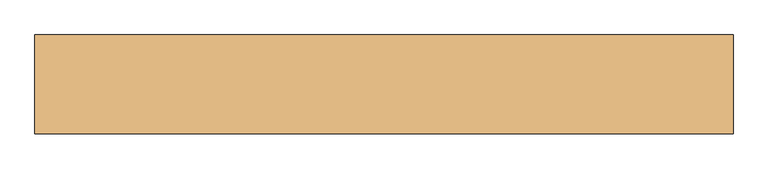
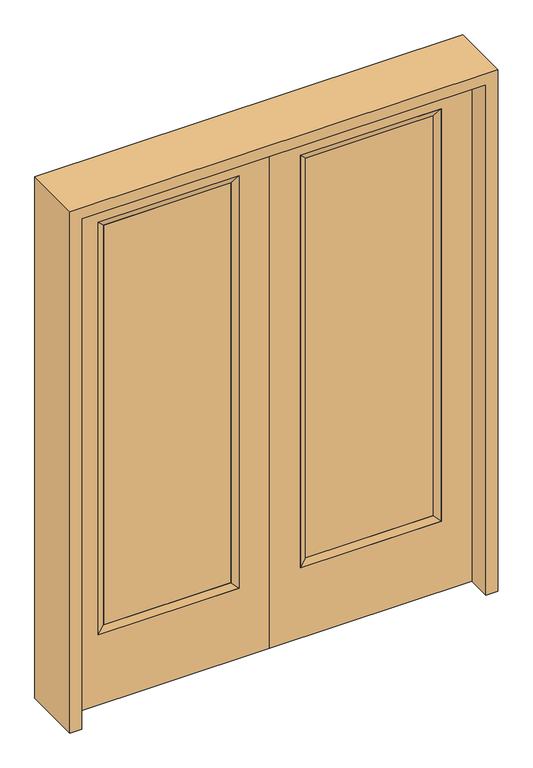
"""IFC4 building model written with IfcOpenShell, lengths in millimetres: door geometry."""

from ifc_helpers import new_model, si_unit, frame, origin, place, context, project, spatial, polyline, outline, extrude, faceted_brep, source, transform, mapped, element, save


def door_5c2f5b9a(model_context):
    return source(origin(), model_context, "Body", "SolidModel", [
        extrude(outline(polyline([(140.8176, -12.7039749), (140.8176, 14.2875), (621.1824, 14.2875), (621.1824, -12.7039749), (140.8176, -12.7039749)])), frame((0.0, 0.0, 304.8), z_axis=(0.0, 0.0, 1.0), x_axis=(1.0, 0.0, 0.0)), (0.0, 0.0, 1.0), 1591.1576),
        faceted_brep([(140.8176, 14.2875, 1895.9576), (140.8176, 14.2875, 304.8), (115.4176, 22.225, 279.4), (115.4176, 22.225, 1921.3576), (115.4176, -22.225, 279.4), (115.4176, -22.225, 1921.3576), (621.1824, 14.2875, 304.8), (646.5824, 22.225, 279.4), (140.8176, -12.7039749, 1895.9576), (140.8176, -12.7039749, 304.8), (621.1824, -12.7039749, 304.8), (646.5824, -22.225, 279.4), (621.1824, 14.2875, 1895.9576), (646.5824, 22.225, 1921.3576), (621.1824, -12.7039749, 1895.9576), (646.5824, -22.225, 1921.3576)], [[[0, 1, 2, 3]], [[3, 2, 4, 5]], [[1, 6, 7, 2]], [[8, 9, 1, 0]], [[9, 10, 6, 1]], [[5, 4, 9, 8]], [[4, 11, 10, 9]], [[2, 7, 11, 4]], [[6, 12, 13, 7]], [[10, 14, 12, 6]], [[11, 15, 14, 10]], [[7, 13, 15, 11]], [[12, 0, 3, 13]], [[14, 8, 0, 12]], [[15, 5, 8, 14]], [[13, 3, 5, 15]]]),
        extrude(outline(polyline([(0.0, 762.0), (2032.0, 762.0), (2032.0, 0.0), (0.0, 0.0), (0.0, 762.0)]), holes=[polyline([(279.4, 646.5824), (279.4, 115.4176), (1921.3576, 115.4176), (1921.3576, 646.5824), (279.4, 646.5824)])]), frame((0.0, -22.225, 0.0), z_axis=(0.0, 1.0, 0.0), x_axis=(0.0, 0.0, 1.0)), (0.0, 0.0, 1.0), 44.45),
        extrude(outline(polyline([(-140.8176, -12.7039749), (-621.1824, -12.7039749), (-621.1824, 14.2875), (-140.8176, 14.2875), (-140.8176, -12.7039749)])), frame((0.0, 0.0, 304.8), z_axis=(0.0, 0.0, 1.0), x_axis=(1.0, 0.0, 0.0)), (0.0, 0.0, 1.0), 1591.1576),
        faceted_brep([(-140.8176, 14.2875, 1895.9576), (-115.4176, 22.225, 1921.3576), (-115.4176, 22.225, 279.4), (-140.8176, 14.2875, 304.8), (-115.4176, -22.225, 1921.3576), (-115.4176, -22.225, 279.4), (-646.5824, 22.225, 279.4), (-621.1824, 14.2875, 304.8), (-140.8176, -12.7039749, 1895.9576), (-140.8176, -12.7039749, 304.8), (-621.1824, -12.7039749, 304.8), (-646.5824, -22.225, 279.4), (-646.5824, 22.225, 1921.3576), (-621.1824, 14.2875, 1895.9576), (-621.1824, -12.7039749, 1895.9576), (-646.5824, -22.225, 1921.3576)], [[[0, 1, 2, 3]], [[1, 4, 5, 2]], [[3, 2, 6, 7]], [[8, 0, 3, 9]], [[9, 3, 7, 10]], [[4, 8, 9, 5]], [[5, 9, 10, 11]], [[2, 5, 11, 6]], [[7, 6, 12, 13]], [[10, 7, 13, 14]], [[11, 10, 14, 15]], [[6, 11, 15, 12]], [[13, 12, 1, 0]], [[14, 13, 0, 8]], [[15, 14, 8, 4]], [[12, 15, 4, 1]]]),
        extrude(outline(polyline([(0.0, -762.0), (0.0, 0.0), (2032.0, 0.0), (2032.0, -762.0), (0.0, -762.0)]), holes=[polyline([(279.4, -646.5824), (1921.3576, -646.5824), (1921.3576, -115.4176), (279.4, -115.4176), (279.4, -646.5824)])]), frame((0.0, -22.225, 0.0), z_axis=(0.0, 1.0, 0.0), x_axis=(0.0, 0.0, 1.0)), (0.0, 0.0, 1.0), 44.45),
        extrude(outline(polyline([(0.0, -806.45), (0.0, -762.0), (2032.0, -762.0), (2032.0, 762.0), (0.0, 762.0), (0.0, 806.45), (2076.45, 806.45), (2076.45, -806.45), (0.0, -806.45)])), frame((0.0, -114.3, 0.0), z_axis=(0.0, 1.0, 0.0), x_axis=(0.0, 0.0, 1.0)), (0.0, 0.0, 1.0), 228.6),
    ])


if __name__ == "__main__":
    model = new_model("IFC4")
    model_context = context("Model", 3, world=origin())
    ifc_project = project(units=[si_unit("LENGTHUNIT", "METRE", prefix="MILLI")], contexts=[model_context])
    site = spatial("IfcSite", under=ifc_project)
    building = spatial("IfcBuilding", under=site)
    placement = place(None, origin())
    door_shape = door_5c2f5b9a(model_context)
    element("IfcDoor", 1, at=placement, inside=building, context=model_context, shape_type="MappedRepresentation", body=[
        mapped(door_shape, transform((0.0, 0.0, 0.0), x_axis=(1.0, 0.0, 0.0), y_axis=(0.0, 1.0, 0.0), z_axis=(0.0, 0.0, 1.0))),
    ])
    save(model, "model.ifc")
